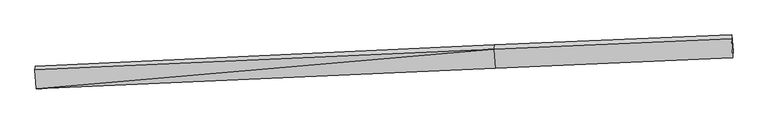
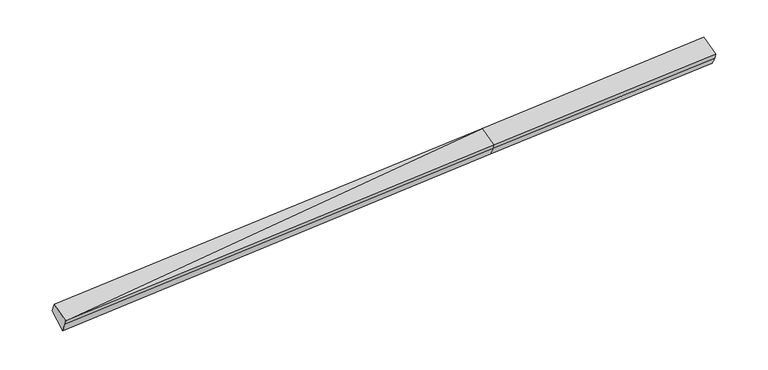
"""IFC4 building model written with IfcOpenShell, lengths in millimetres: proxy geometry."""

import ifcopenshell
import ifcopenshell.guid

model = None  # the IFC model being written
_history = None  # IfcOwnerHistory: only IFC2X3 demands one
_inside = {}  # id of a spatial element -> (the spatial element, [elements in it])
_under = {}  # id of a project, library or spatial element -> (it, [spatial elements below it])
_declared = {}  # id of a project -> (the project, [libraries it declares])
_typed = {}  # id of a type object -> (the type object, [elements of that type])
_made_of = {}  # id of a material, layer set ... -> (it, [elements and type objects made of it])


def new_model(schema):
    """Start an empty IFC model of exactly this schema.

    Asked for "IFC4X3", IfcOpenShell would pick the latest addendum, in which some entities
    have other attributes; the version numbers below select the first issue.
    IFC2X3 requires an IfcOwnerHistory on every rooted entity: one is made here for all.
    """
    global model, _history
    if schema == "IFC4X3":
        model = ifcopenshell.file(schema_version=(4, 3, 0, 0))
    else:
        model = ifcopenshell.file(schema=schema)
    _inside.clear()
    _under.clear()
    _declared.clear()
    _typed.clear()
    _made_of.clear()
    _history = None
    if model.schema == "IFC2X3":
        org = make("IfcOrganization", Name="unknown")
        user = make(
            "IfcPersonAndOrganization",
            ThePerson=make("IfcPerson", FamilyName="unknown"),
            TheOrganization=org,
        )
        app = make(
            "IfcApplication",
            ApplicationDeveloper=org,
            Version="unknown",
            ApplicationFullName="unknown",
            ApplicationIdentifier="unknown",
        )
        _history = make(
            "IfcOwnerHistory",
            OwningUser=user,
            OwningApplication=app,
            ChangeAction="ADDED",
            CreationDate=0,
        )
    return model


def make(cls, **values):
    """One entity of the class cls with the attributes given. An attribute that is None is left unset."""
    return model.create_entity(
        cls, **{name: value for name, value in values.items() if value is not None}
    )


def rooted(cls, **values):
    """An entity with a GlobalId (a new one), such as an element, a storey or a relation."""
    return make(cls, GlobalId=ifcopenshell.guid.new(), OwnerHistory=_history, **values)


def si_unit(unit_type, name, prefix=None):
    """IfcSIUnit, for example si_unit("LENGTHUNIT", "METRE", prefix="MILLI")."""
    return make("IfcSIUnit", UnitType=unit_type, Prefix=prefix, Name=name)


def assignment(units):
    """IfcUnitAssignment: the units of a project."""
    return None if units is None else make("IfcUnitAssignment", Units=units)


def point(xyz):
    """IfcCartesianPoint."""
    return None if xyz is None else make("IfcCartesianPoint", Coordinates=xyz)


def direction(xyz):
    """IfcDirection."""
    return None if xyz is None else make("IfcDirection", DirectionRatios=xyz)


def frame(location, z_axis=None, x_axis=None):
    """IfcAxis2Placement3D, a coordinate frame: its origin and axes. An axis left out is left unset."""
    return make(
        "IfcAxis2Placement3D",
        Location=point(location),
        Axis=direction(z_axis),
        RefDirection=direction(x_axis),
    )


def origin():
    """The frame at (0, 0, 0) with its axes left unset."""
    return frame((0.0, 0.0, 0.0))


def place(relative_to, where):
    """IfcLocalPlacement: puts the frame where relative to a parent placement (None: the world)."""
    return make(
        "IfcLocalPlacement", PlacementRelTo=relative_to, RelativePlacement=where
    )


def context(
    kind, dimensions, precision=None, world=None, true_north=None, identifier=None
):
    """IfcGeometricRepresentationContext, for example the 3D "Model" context."""
    return make(
        "IfcGeometricRepresentationContext",
        ContextIdentifier=identifier,
        ContextType=kind,
        CoordinateSpaceDimension=dimensions,
        Precision=precision,
        WorldCoordinateSystem=world,
        TrueNorth=true_north,
    )


def project(units=None, contexts=None):
    """IfcProject with its units and contexts."""
    return rooted(
        "IfcProject",
        Name="project",
        RepresentationContexts=contexts,
        UnitsInContext=assignment(units),
    )


def spatial(cls, under=None, at=None, **own):
    """A site, building, storey or space (cls), placed at a placement, below another one or the project."""
    s = rooted(cls, ObjectPlacement=at, **own)
    if under is not None:
        _under.setdefault(under.id(), (under, []))[1].append(s)
    return s


def shape(context_of_items, identifier, shape_type, items):
    """IfcShapeRepresentation: the items that make up one representation, for example the "Body"."""
    return make(
        "IfcShapeRepresentation",
        ContextOfItems=context_of_items,
        RepresentationIdentifier=identifier,
        RepresentationType=shape_type,
        Items=items,
    )


def source(mapping_origin, context_of_items, identifier, shape_type, items):
    """IfcRepresentationMap: a shape defined once, which mapped items show again and again."""
    return make(
        "IfcRepresentationMap",
        MappingOrigin=mapping_origin,
        MappedRepresentation=shape(context_of_items, identifier, shape_type, items),
    )


def transform(
    local_origin,
    x_axis=None,
    y_axis=None,
    z_axis=None,
    scale=None,
    scale2=None,
    scale3=None,
    uniform=True,
):
    """IfcCartesianTransformationOperator3D, or its non-uniform kind. x_axis, y_axis, z_axis: its Axis1, 2, 3."""
    if uniform:
        return make(
            "IfcCartesianTransformationOperator3D",
            Axis1=direction(x_axis),
            Axis2=direction(y_axis),
            LocalOrigin=point(local_origin),
            Scale=scale,
            Axis3=direction(z_axis),
        )
    return make(
        "IfcCartesianTransformationOperator3DnonUniform",
        Axis1=direction(x_axis),
        Axis2=direction(y_axis),
        LocalOrigin=point(local_origin),
        Scale=scale,
        Axis3=direction(z_axis),
        Scale2=scale2,
        Scale3=scale3,
    )


def mapped(mapping_source, mapping_target):
    """IfcMappedItem: shows the shape of a source again, moved by a transform."""
    return make(
        "IfcMappedItem", MappingSource=mapping_source, MappingTarget=mapping_target
    )


def made_of(thing, what):
    """Note that an element or type object is made of a material, layer set ...; save() writes the relation."""
    if what is not None:
        _made_of.setdefault(what.id(), (what, []))[1].append(thing)
    return thing


def element(
    cls,
    number,
    at=None,
    inside=None,
    cuts=None,
    type_object=None,
    material=None,
    context=None,
    identifier="Body",
    shape_type=None,
    held_by="IfcProductDefinitionShape",
    body=None,
    shapes=None,
    **own,
):
    """One element of the class cls, such as IfcWall. Its Tag is "e" and its number.

    at: its placement. inside: the storey or other place that contains it. cuts: it is an
    opening in that element (IfcRelVoidsElement). A single representation is given by context,
    identifier, shape_type and body (its items); several are given by shapes. held_by: the class
    of the entity that holds the representations. save() writes the other relations.
    """
    e = rooted(cls, Tag="e%d" % number, ObjectPlacement=at, **own)
    if body is not None:
        shapes = [shape(context, identifier, shape_type, body)]
    if shapes is not None:
        e.Representation = make(held_by, Representations=shapes)
    if inside is not None:
        _inside.setdefault(inside.id(), (inside, []))[1].append(e)
    if cuts is not None:
        rooted(
            "IfcRelVoidsElement", RelatingBuildingElement=cuts, RelatedOpeningElement=e
        )
    if type_object is not None:
        _typed.setdefault(type_object.id(), (type_object, []))[1].append(e)
    return made_of(e, material)


def aggregate(whole, parts):
    """IfcRelAggregates: a whole, such as a stair, and the parts it consists of."""
    return rooted("IfcRelAggregates", RelatingObject=whole, RelatedObjects=parts)


def save(model, path):
    """Write the relations noted so far, then the file.

    IfcRelAggregates (storeys below a building ...), IfcRelContainedInSpatialStructure (elements
    in a storey), IfcRelDefinesByType, IfcRelAssociatesMaterial and IfcRelDeclares: one each for
    every whole, place, type object, material and project.
    """
    for whole, parts in _under.values():
        aggregate(whole, parts)
    for where, things in _inside.values():
        rooted(
            "IfcRelContainedInSpatialStructure",
            RelatedElements=things,
            RelatingStructure=where,
        )
    for kind, things in _typed.values():
        rooted("IfcRelDefinesByType", RelatedObjects=things, RelatingType=kind)
    for what, things in _made_of.values():
        rooted("IfcRelAssociatesMaterial", RelatedObjects=things, RelatingMaterial=what)
    for by, libraries in _declared.values():
        rooted("IfcRelDeclares", RelatingContext=by, RelatedDefinitions=libraries)
    model.write(path)


def plane_surface(at):
    """IfcPlane: the flat surface through the origin of the frame at, square to its z axis."""
    return make("IfcPlane", Position=at)


def spline_surface(u_degree, v_degree, points, u_multiplicities, v_multiplicities, u_knots, v_knots, weights=None):
    """IfcBSplineSurfaceWithKnots; with weights, IfcRationalBSplineSurfaceWithKnots. points: one row for each step in u."""
    own = dict(
        UDegree=u_degree,
        VDegree=v_degree,
        ControlPointsList=[[point(p) for p in row] for row in points],
        SurfaceForm="UNSPECIFIED",
        UClosed=False,
        VClosed=False,
        SelfIntersect=False,
        UMultiplicities=u_multiplicities,
        VMultiplicities=v_multiplicities,
        UKnots=u_knots,
        VKnots=v_knots,
        KnotSpec="UNSPECIFIED",
    )
    if weights is None:
        return make("IfcBSplineSurfaceWithKnots", **own)
    return make("IfcRationalBSplineSurfaceWithKnots", WeightsData=weights, **own)


def advanced_brep(points, edges, surfaces, faces):
    """IfcAdvancedBrep: a solid bounded by faces that lie on surfaces and meet in shared edges.

    An edge is (start, end): straight between two places in points (the first is 0);
    or (start, end, curve); or (start, end, curve, False) where it runs against its curve.
    A face is (place in surfaces, loops), or (place, loops, False) where it looks against
    its surface's normal. A loop lists edges by number (the first is 1), with a minus sign
    where the edge is run from its end to its start. The first loop is the outer one.
    """
    corners = [point(p) for p in points]
    vertices = [make("IfcVertexPoint", VertexGeometry=c) for c in corners]
    made = []
    for start, end, *more in edges:
        made.append(
            make(
                "IfcEdgeCurve",
                EdgeStart=vertices[start],
                EdgeEnd=vertices[end],
                EdgeGeometry=more[0] if more else make("IfcPolyline", Points=[corners[start], corners[end]]),
                SameSense=more[1] if len(more) > 1 else True,
            )
        )
    hull = []
    for where, loops, *sense in faces:
        bounds = []
        for j, loop in enumerate(loops):
            ring = [make("IfcOrientedEdge", EdgeElement=made[abs(k) - 1], Orientation=k > 0) for k in loop]
            bounds.append(
                make(
                    "IfcFaceOuterBound" if j == 0 else "IfcFaceBound",
                    Bound=make("IfcEdgeLoop", EdgeList=ring),
                    Orientation=True,
                )
            )
        hull.append(make("IfcAdvancedFace", Bounds=bounds, FaceSurface=surfaces[where], SameSense=sense[0] if sense else True))
    return make("IfcAdvancedBrep", Outer=make("IfcClosedShell", CfsFaces=hull))


def generic_models_4d0c75c1(model_context):
    return source(origin(), model_context, "Body", "AdvancedBrep", [
        advanced_brep(
        [(-13667.9396337, -2556.2002278, 1413.2238025), (-13662.6051105, -2487.0861142, 1232.2847612), (2624.0064761, -1767.0885225, 1987.4744693), (2618.6830284, -1836.0591424, 2168.0378476), (-13709.0602265, -1894.2307638, 1673.636719), (2576.9852965, -1164.7987513, 2432.1057324), (-13699.4191254, -1752.5522571, 1330.7042758), (2584.9082384, -1003.4598647, 2107.6488661), (-13653.6870754, -2329.6231375, 889.9965451), (2630.6402884, -1580.5307452, 1666.9411353), (11021.8404114, -649.3709102, 2513.060636), (11013.1629008, -778.5651334, 2823.3095334), (11055.4377717, -1459.1164517, 2555.5866802), (11061.0619697, -1386.2493092, 2364.8223019), (11067.5724614, -1226.4417906, 2072.3529052)],
        [
            (0, 1),
            (1, 2),
            (2, 3),
            (3, 0),
            (4, 0),
            (0, 5),
            (5, 4),
            (6, 4),
            (5, 7),
            (7, 6),
            (8, 6),
            (7, 9),
            (9, 8),
            (1, 8),
            (9, 2),
            (10, 11),
            (11, 12),
            (12, 13),
            (13, 14),
            (14, 10),
            (3, 5),
            (5, 11),
            (10, 7),
            (3, 12),
            (2, 13),
            (9, 14),
        ],
        [
            plane_surface(frame((-13665.2723721, -2521.643171, 1322.7542819), z_axis=(0.05770321262775269, -0.9331790659546245, -0.3547494469572727), x_axis=(0.02753115550705807, 0.35669381447621157, -0.9338155911050405))),
            plane_surface(frame((-13688.4999301, -2225.2154958, 1543.4302607), z_axis=(-0.026841544720806527, -0.3673943789807994, 0.9296778483809938), x_axis=(0.05771009394061864, -0.9290313526547135, -0.36547269507025903))),
            spline_surface(1, 1, [[(-13699.4191254, -1752.5522571, 1330.7042758), (2584.9082384, -1003.4598647, 2107.6488661)], [(-13709.0602265, -1894.2307638, 1673.636719), (2576.9852965, -1164.7987513, 2432.1057324)]], [2, 2], [2, 2], [0.0, 1.0], [0.0, 1.0]),
            plane_surface(frame((-13676.5531004, -2041.0876973, 1110.3504105), z_axis=(0.009956670145189493, 0.6074125921828801, -0.794324119977037), x_axis=(-0.06285781076115642, 0.793172669632017, 0.6057441801413646))),
            spline_surface(1, 1, [[(-13662.6051105, -2487.0861142, 1232.2847612), (2624.0064761, -1767.0885225, 1987.4744693)], [(-13653.6870754, -2329.6231375, 889.9965451), (2630.6402884, -1580.5307452, 1666.9411353)]], [2, 2], [2, 2], [0.0, 1.0], [0.0, 1.0]),
            plane_surface(frame((11043.815103, -1099.948719, 2465.8264113), z_axis=(0.9979717263432455, 0.0438315949121887, 0.046165189341496854), x_axis=(-0.02581165886212762, -0.3842942255857833, 0.9228497745831703))),
            plane_surface(frame((-13678.5422343, -2203.9385001, 1307.9692207), z_axis=(-0.9979717263432456, -0.043831594912190554, -0.04616518934149291), x_axis=(-0.027531155507051885, -0.3566938144762124, 0.9338155911050403))),
            plane_surface(frame((-13667.9396337, -2556.2002278, 1413.2238025), z_axis=(-0.026841544720806194, -0.36739437898080246, 0.9296778483809925), x_axis=(0.05771009394061851, -0.9290313526547123, -0.3654726950702621))),
            spline_surface(1, 1, [[(2584.9082384, -1003.4598647, 2107.6488661), (11021.8404114, -649.3709102, 2513.060636)], [(2576.9852965, -1164.7987513, 2432.1057324), (11013.1629008, -778.5651334, 2823.3095334)]], [2, 2], [2, 2], [0.0, 1.0], [0.0, 1.0]),
            plane_surface(frame((2597.8341625, -1500.4289468, 2300.07179), z_axis=(-0.026293026575331495, -0.3673702267065904, 0.9297030672655962), x_axis=(0.057710093940618434, -0.9290313526547124, -0.365472695070262))),
            plane_surface(frame((2621.3447522, -1801.5738325, 2077.7561585), z_axis=(0.057987686557956226, -0.9331664519292211, -0.3547362417367091), x_axis=(0.02753115550706334, 0.35669381447621273, -0.9338155911050399))),
            spline_surface(1, 1, [[(2624.0064761, -1767.0885225, 1987.4744693), (11061.0619697, -1386.2493092, 2364.8223019)], [(2630.6402884, -1580.5307452, 1666.9411353), (11067.5724614, -1226.4417906, 2072.3529052)]], [2, 2], [2, 2], [0.0, 1.0], [0.0, 1.0]),
            plane_surface(frame((2607.7742634, -1291.9953049, 1887.2950007), z_axis=(0.01266538211718874, 0.6075295056734592, -0.7941961268049527), x_axis=(-0.0628578107611597, 0.7931726696320267, 0.6057441801413517))),
        ],
        [
            (0, [[1, 2, 3, 4]]),
            (1, [[5, 6, 7]]),
            (2, [[8, -7, 9, 10]]),
            (3, [[11, -10, 12, 13]]),
            (4, [[14, -13, 15, -2]]),
            (5, [[16, 17, 18, 19, 20]]),
            (6, [[-1, -5, -8, -11, -14]]),
            (7, [[21, -6, -4]]),
            (8, [[-9, 22, -16, 23]]),
            (9, [[-21, 24, -17, -22]]),
            (10, [[-3, 25, -18, -24]]),
            (11, [[-15, 26, -19, -25]]),
            (12, [[-12, -23, -20, -26]]),
        ],
    ),
    ])


if __name__ == "__main__":
    model = new_model("IFC4")
    model_context = context("Model", 3, world=origin())
    ifc_project = project(units=[si_unit("LENGTHUNIT", "METRE", prefix="MILLI")], contexts=[model_context])
    site = spatial("IfcSite", under=ifc_project)
    building = spatial("IfcBuilding", under=site)
    placement = place(None, origin())
    generic_models_shape = generic_models_4d0c75c1(model_context)
    element("IfcBuildingElementProxy", 1, Name="Generic Models", at=placement, inside=building, context=model_context, shape_type="MappedRepresentation", body=[
        mapped(generic_models_shape, transform((0.0, 0.0, 0.0), x_axis=(1.0, 0.0, 0.0), y_axis=(0.0, 1.0, 0.0), z_axis=(0.0, 0.0, 1.0))),
    ])
    save(model, "model.ifc")
